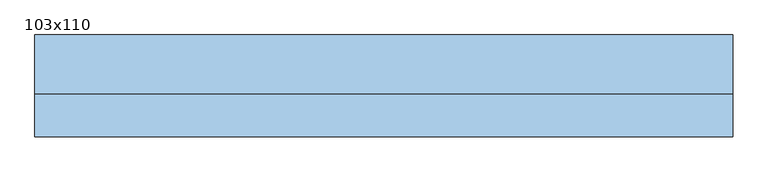
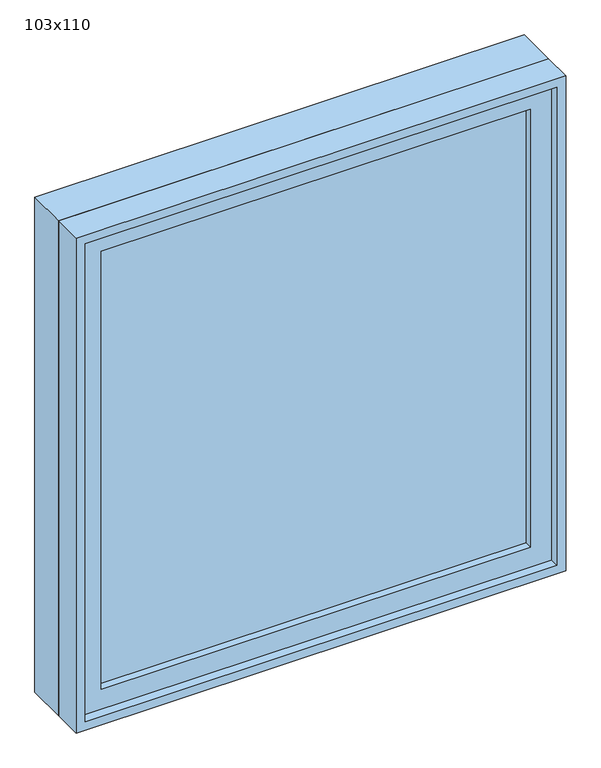
"""IFC4 building model written with IfcOpenShell, lengths in millimetres: window geometry, 103x110."""

from ifc_helpers import new_model, si_unit, frame, origin, place, context, project, spatial, polyline, outline, extrude, source, transform, mapped, element, save


def window_103x110_1d227bee(model_context):
    return source(origin(), model_context, "Body", "SweptSolid", [
        extrude(outline(polyline([(413.4, -27.375), (413.4, -40.075), (-489.6, -40.075), (-489.6, -27.375), (413.4, -27.375)])), frame((0.0, 0.0, 977.9), z_axis=(0.0, 0.0, 1.0), x_axis=(1.0, 0.0, 0.0)), (0.0, 0.0, 1.0), 973.0),
        extrude(outline(polyline([(1995.35, -534.05), (933.45, -534.05), (933.45, 457.85), (1995.35, 457.85), (1995.35, -534.05)]), holes=[polyline([(1950.9, -489.6), (1950.9, 413.4), (977.9, 413.4), (977.9, -489.6), (1950.9, -489.6)])]), frame((0.0, -55.95, 0.0), z_axis=(0.0, 1.0, 0.0), x_axis=(0.0, 0.0, 1.0)), (0.0, 0.0, 1.0), 44.45),
        extrude(outline(polyline([(2014.4, -553.1), (914.4, -553.1), (914.4, 476.9), (2014.4, 476.9), (2014.4, -553.1)]), holes=[polyline([(1982.65, -521.35), (1982.65, 445.15), (946.15, 445.15), (946.15, -521.35), (1982.65, -521.35)])]), frame((0.0, -11.5, 0.0), z_axis=(0.0, 1.0, 0.0), x_axis=(0.0, 0.0, 1.0)), (0.0, 0.0, 1.0), 86.5),
        extrude(outline(polyline([(2014.4, 476.9), (2014.4, -553.1), (914.4, -553.1), (914.4, 476.9), (2014.4, 476.9)]), holes=[polyline([(1995.35, 457.85), (933.45, 457.85), (933.45, -534.05), (1995.35, -534.05), (1995.35, 457.85)])]), frame((0.0, -75.0, 0.0), z_axis=(0.0, 1.0, 0.0), x_axis=(0.0, 0.0, 1.0)), (0.0, 0.0, 1.0), 63.5),
    ])


if __name__ == "__main__":
    model = new_model("IFC4")
    model_context = context("Model", 3, world=origin())
    ifc_project = project(units=[si_unit("LENGTHUNIT", "METRE", prefix="MILLI")], contexts=[model_context])
    site = spatial("IfcSite", under=ifc_project)
    building = spatial("IfcBuilding", under=site)
    placement = place(None, origin())
    window_103x110_shape = window_103x110_1d227bee(model_context)
    element("IfcWindow", 1, ObjectType="103x110", at=placement, inside=building, context=model_context, shape_type="MappedRepresentation", body=[
        mapped(window_103x110_shape, transform((0.0, 0.0, 0.0), x_axis=(1.0, 0.0, 0.0), y_axis=(0.0, 1.0, 0.0), z_axis=(0.0, 0.0, 1.0))),
    ])
    save(model, "model.ifc")
